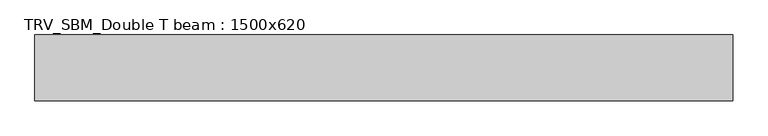
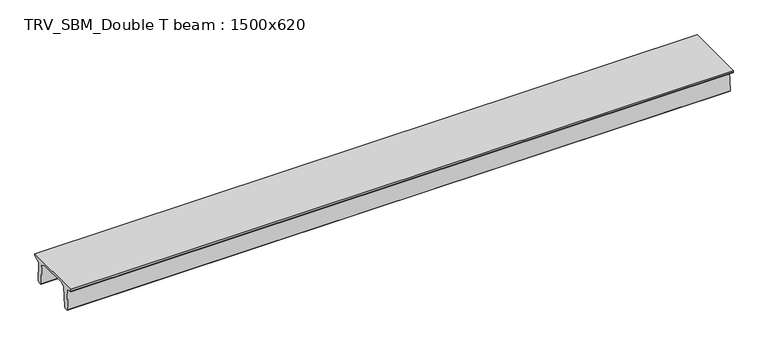
"""IFC4 building model written with IfcOpenShell, lengths in millimetres: beam geometry, TRV_SBM_Double T beam : 1500x620."""

from ifc_helpers import new_model, si_unit, frame, origin, place, context, project, spatial, polyline, outline, extrude, source, transform, mapped, element, save


def trv_sbm_double_t_beam_1500x620_a1fefa58(model_context):
    return source(origin(), model_context, "Body", "SweptSolid", [
        extrude(outline(polyline([(-765.0, 215.0), (-765.0, 260.0), (735.0, 260.0), (735.0, 215.0), (728.2094488, 201.315559), (578.0626443, 140.6523122), (594.8277662, -339.4379646), (574.2657308, -360.0), (484.2657308, -360.0), (464.786332, -340.5206011), (447.8600761, 144.18395), (338.3237744, 210.0), (-367.4555014, 210.0), (-476.5389732, 151.9992892), (-507.0080378, -339.3850967), (-527.622941, -360.0), (-615.122941, -360.0), (-637.1143055, -338.0086356), (-606.1572167, 162.687806), (-761.3068466, 204.260024), (-765.0, 215.0)])), frame((-7964.5, 0.0, 0.0), z_axis=(1.0, 0.0, 0.0), x_axis=(0.0, 1.0, 0.0)), (0.0, 0.0, 1.0), 15929.0),
    ])


if __name__ == "__main__":
    model = new_model("IFC4")
    model_context = context("Model", 3, world=origin())
    ifc_project = project(units=[si_unit("LENGTHUNIT", "METRE", prefix="MILLI")], contexts=[model_context])
    site = spatial("IfcSite", under=ifc_project)
    building = spatial("IfcBuilding", under=site)
    placement = place(None, origin())
    trv_sbm_double_t_beam_1500x620_shape = trv_sbm_double_t_beam_1500x620_a1fefa58(model_context)
    element("IfcBeam", 1, ObjectType="TRV_SBM_Double T beam : 1500x620", at=placement, inside=building, context=model_context, shape_type="MappedRepresentation", body=[
        mapped(trv_sbm_double_t_beam_1500x620_shape, transform((0.0, 0.0, 0.0), x_axis=(1.0, 0.0, 0.0), y_axis=(0.0, 1.0, 0.0), z_axis=(0.0, 0.0, 1.0))),
    ])
    save(model, "model.ifc")
